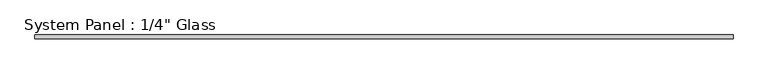
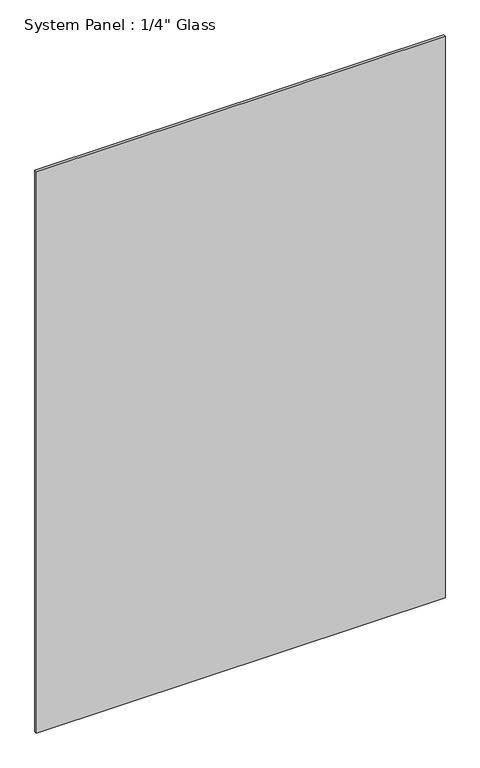
"""IFC4 building model written with IfcOpenShell, lengths in millimetres: plate geometry."""

from ifc_helpers import new_model, si_unit, origin, origin_with_axes, place, context, project, spatial, polyline, outline, extrude, source, transform, mapped, element, save


def plate_ffdf726f(model_context):
    return source(origin(), model_context, "Body", "SweptSolid", [
        extrude(outline(polyline([(583.9224049, -3.175), (-583.9224049, -3.175), (-583.9224049, 3.175), (583.9224049, 3.175), (583.9224049, -3.175)])), origin_with_axes(), (0.0, 0.0, 1.0), 1695.45),
    ])


if __name__ == "__main__":
    model = new_model("IFC4")
    model_context = context("Model", 3, world=origin())
    ifc_project = project(units=[si_unit("LENGTHUNIT", "METRE", prefix="MILLI")], contexts=[model_context])
    site = spatial("IfcSite", under=ifc_project)
    building = spatial("IfcBuilding", under=site)
    placement = place(None, origin())
    plate_shape = plate_ffdf726f(model_context)
    element("IfcPlate", 1, ObjectType="System Panel : 1/4\" Glass", at=placement, inside=building, context=model_context, shape_type="MappedRepresentation", body=[
        mapped(plate_shape, transform((0.0, 0.0, 0.0), x_axis=(1.0, 0.0, 0.0), y_axis=(0.0, 1.0, 0.0), z_axis=(0.0, 0.0, 1.0))),
    ])
    save(model, "model.ifc")
